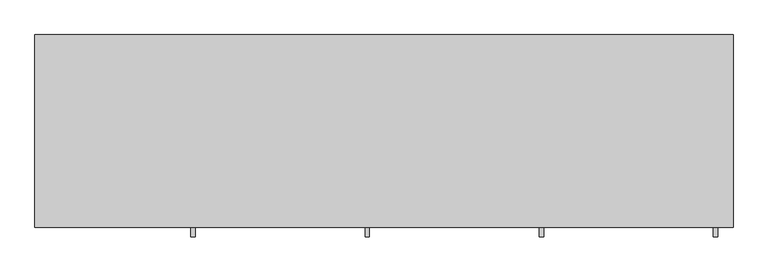
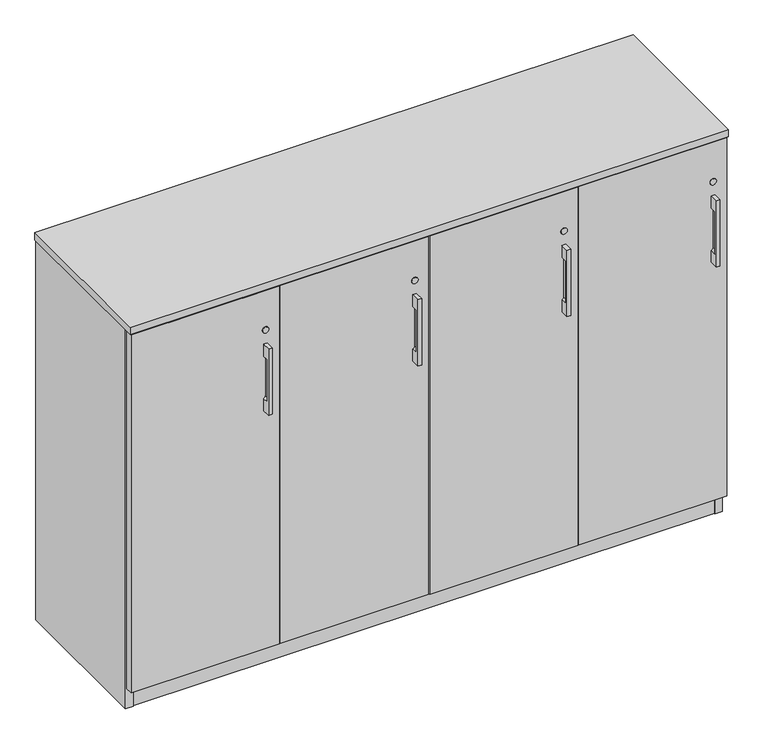
"""IFC4 building model written with IfcOpenShell, lengths in millimetres: furniture geometry."""

from ifc_helpers import new_model, si_unit, point, frame, frame_2d, origin, origin_with_axes, place, context, project, spatial, polyline, circle_curve, trimmed, segment, composite_curve, outline, extrude, source, transform, mapped, element, save
from ifc_brep_helpers import plane_surface, revolved_surface, advanced_brep


def furniture_423fbfd3(model_context):
    return source(origin(), model_context, "Body", "SolidModel", [
        advanced_brep(
        [(338.9312421, -447.8115021, 878.8908), (338.9312421, -447.8115021, 701.0908), (348.4562421, -447.8115021, 701.0908), (348.4562421, -447.8115021, 878.8908), (338.9312421, -425.5865021, 878.8908), (348.4562421, -425.5865021, 878.8908), (348.4562421, -425.5865021, 701.0908), (338.9312421, -425.5865021, 701.0908), (338.9312421, -425.5865021, 733.0424389), (343.6937421, -425.5865021, 739.1908), (343.6937421, -425.5865021, 840.7908), (338.9312421, -425.5865021, 846.9391611), (338.9312421, -441.523499, 846.9391611), (338.9312421, -441.523499, 733.0424389), (343.6937421, -441.523499, 840.7908), (343.6937421, -441.523499, 739.1908)],
        [
            (0, 1),
            (1, 2),
            (2, 3),
            (3, 0),
            (4, 5),
            (5, 6),
            (6, 7),
            (7, 8),
            (8, 9, circle_curve(frame((337.3437421, -425.5865021, 739.1908), z_axis=(0.0, -1.0, 0.0), x_axis=(1.0, 0.0, 0.0)), 6.35)),
            (9, 10),
            (10, 11, circle_curve(frame((337.3437421, -425.5865021, 840.7908), z_axis=(0.0, -1.0, 0.0), x_axis=(1.0, 0.0, 0.0)), 6.35)),
            (11, 4),
            (0, 4),
            (11, 12),
            (12, 13),
            (13, 8),
            (7, 1),
            (6, 2),
            (5, 3),
            (14, 15),
            (15, 13, circle_curve(frame((337.3437421, -441.523499, 739.1908), z_axis=(0.0, 1.0, 0.0), x_axis=(1.0, 0.0, 0.0)), 6.35)),
            (12, 14, circle_curve(frame((337.3437421, -441.523499, 840.7908), z_axis=(0.0, 1.0, 0.0), x_axis=(1.0, 0.0, 0.0)), 6.35)),
            (14, 10),
            (9, 15),
        ],
        [
            plane_surface(frame((338.9312421, -447.8115021, 701.0908), z_axis=(0.0, -1.0, 0.0), x_axis=(0.0, 0.0, -1.0))),
            plane_surface(frame((338.9312421, -425.5865021, 701.0908), z_axis=(0.0, 1.0, 0.0), x_axis=(0.0, 0.0, 1.0))),
            plane_surface(frame((338.9312421, -447.8115021, 878.8908), z_axis=(-1.0, 0.0, 0.0), x_axis=(0.0, 1.0, 0.0))),
            plane_surface(frame((338.9312421, -447.8115021, 701.0908), z_axis=(0.0, 0.0, -1.0), x_axis=(0.0, 1.0, 0.0))),
            plane_surface(frame((348.4562421, -447.8115021, 701.0908), z_axis=(1.0, 0.0, 0.0), x_axis=(0.0, 1.0, 0.0))),
            plane_surface(frame((348.4562421, -447.8115021, 878.8908), z_axis=(0.0, 0.0, 1.0), x_axis=(0.0, 1.0, 0.0))),
            plane_surface(frame((324.6437421, -441.523499, 847.1408), z_axis=(0.0, 1.0, 0.0), x_axis=(-1.0, 0.0, 0.0))),
            plane_surface(frame((343.6937421, -441.523499, 739.1908), z_axis=(-1.0, 0.0, 0.0), x_axis=(0.0, 1.0, 0.0))),
            revolved_surface(polyline([(343.6937421, -441.523499, 739.1908), (343.6937421, -425.5865021, 739.1908)]), (337.3437421, -425.5865021, 739.1908), (0.0, -1.0, 0.0)),
            revolved_surface(polyline([(343.6937421, -441.523499, 840.7908), (343.6937421, -425.5865021, 840.7908)]), (337.3437421, -425.5865021, 840.7908), (0.0, -1.0, 0.0)),
        ],
        [
            (0, [[1, 2, 3, 4]]),
            (1, [[5, 6, 7, 8, 9, 10, 11, 12]]),
            (2, [[-1, 13, -12, 14, 15, 16, -8, 17]]),
            (3, [[-2, -17, -7, 18]]),
            (4, [[-3, -18, -6, 19]]),
            (5, [[-4, -19, -5, -13]]),
            (6, [[20, 21, -15, 22]]),
            (7, [[-20, 23, -10, 24]]),
            (8, [[-24, -9, -16, -21]]),
            (9, [[-23, -22, -14, -11]]),
        ],
    ),
        advanced_brep(
        [(1474.7875158, -447.8115021, 878.8908), (1474.7875158, -447.8115021, 701.0908), (1484.3125158, -447.8115021, 701.0908), (1484.3125158, -447.8115021, 878.8908), (1474.7875158, -425.5865021, 878.8908), (1484.3125158, -425.5865021, 878.8908), (1484.3125158, -425.5865021, 701.0908), (1474.7875158, -425.5865021, 701.0908), (1474.7875158, -425.5865021, 733.0424389), (1479.5500158, -425.5865021, 739.1908), (1479.5500158, -425.5865021, 840.7908), (1474.7875158, -425.5865021, 846.9391611), (1474.7875158, -441.523499, 846.9391611), (1474.7875158, -441.523499, 733.0424389), (1479.5500158, -441.523499, 840.7908), (1479.5500158, -441.523499, 739.1908)],
        [
            (0, 1),
            (1, 2),
            (2, 3),
            (3, 0),
            (4, 5),
            (5, 6),
            (6, 7),
            (7, 8),
            (8, 9, circle_curve(frame((1473.2000158, -425.5865021, 739.1908), z_axis=(0.0, -1.0, 0.0), x_axis=(1.0, 0.0, 0.0)), 6.35)),
            (9, 10),
            (10, 11, circle_curve(frame((1473.2000158, -425.5865021, 840.7908), z_axis=(0.0, -1.0, 0.0), x_axis=(1.0, 0.0, 0.0)), 6.35)),
            (11, 4),
            (0, 4),
            (11, 12),
            (12, 13),
            (13, 8),
            (7, 1),
            (6, 2),
            (5, 3),
            (14, 15),
            (15, 13, circle_curve(frame((1473.2000158, -441.523499, 739.1908), z_axis=(0.0, 1.0, 0.0), x_axis=(1.0, 0.0, 0.0)), 6.35)),
            (12, 14, circle_curve(frame((1473.2000158, -441.523499, 840.7908), z_axis=(0.0, 1.0, 0.0), x_axis=(1.0, 0.0, 0.0)), 6.35)),
            (14, 10),
            (9, 15),
        ],
        [
            plane_surface(frame((1474.7875158, -447.8115021, 701.0908), z_axis=(0.0, -1.0, 0.0), x_axis=(0.0, 0.0, -1.0))),
            plane_surface(frame((1474.7875158, -425.5865021, 701.0908), z_axis=(0.0, 1.0, 0.0), x_axis=(0.0, 0.0, 1.0))),
            plane_surface(frame((1474.7875158, -447.8115021, 878.8908), z_axis=(-1.0, 0.0, 0.0), x_axis=(0.0, 1.0, 0.0))),
            plane_surface(frame((1474.7875158, -447.8115021, 701.0908), z_axis=(0.0, 0.0, -1.0), x_axis=(0.0, 1.0, 0.0))),
            plane_surface(frame((1484.3125158, -447.8115021, 701.0908), z_axis=(1.0, 0.0, 0.0), x_axis=(0.0, 1.0, 0.0))),
            plane_surface(frame((1484.3125158, -447.8115021, 878.8908), z_axis=(0.0, 0.0, 1.0), x_axis=(0.0, 1.0, 0.0))),
            plane_surface(frame((1460.5000158, -441.523499, 847.1408), z_axis=(0.0, 1.0, 0.0), x_axis=(-1.0, 0.0, 0.0))),
            plane_surface(frame((1479.5500158, -441.523499, 739.1908), z_axis=(-1.0, 0.0, 0.0), x_axis=(0.0, 1.0, 0.0))),
            revolved_surface(polyline([(1479.5500158, -441.523499, 739.1908), (1479.5500158, -425.5865021, 739.1908)]), (1473.2000158, -425.5865021, 739.1908), (0.0, -1.0, 0.0)),
            revolved_surface(polyline([(1479.5500158, -441.523499, 840.7908), (1479.5500158, -425.5865021, 840.7908)]), (1473.2000158, -425.5865021, 840.7908), (0.0, -1.0, 0.0)),
        ],
        [
            (0, [[1, 2, 3, 4]]),
            (1, [[5, 6, 7, 8, 9, 10, 11, 12]]),
            (2, [[-1, 13, -12, 14, 15, 16, -8, 17]]),
            (3, [[-2, -17, -7, 18]]),
            (4, [[-3, -18, -6, 19]]),
            (5, [[-4, -19, -5, -13]]),
            (6, [[20, 21, -15, 22]]),
            (7, [[-20, 23, -10, 24]]),
            (8, [[-24, -9, -16, -21]]),
            (9, [[-23, -22, -14, -11]]),
        ],
    ),
        advanced_brep(
        [(1096.1687579, -447.8115021, 878.8908), (1096.1687579, -447.8115021, 701.0908), (1105.6937579, -447.8115021, 701.0908), (1105.6937579, -447.8115021, 878.8908), (1096.1687579, -425.5865021, 878.8908), (1105.6937579, -425.5865021, 878.8908), (1105.6937579, -425.5865021, 701.0908), (1096.1687579, -425.5865021, 701.0908), (1096.1687579, -425.5865021, 733.0424389), (1100.9312579, -425.5865021, 739.1908), (1100.9312579, -425.5865021, 840.7908), (1096.1687579, -425.5865021, 846.9391611), (1096.1687579, -441.523499, 846.9391611), (1096.1687579, -441.523499, 733.0424389), (1100.9312579, -441.523499, 840.7908), (1100.9312579, -441.523499, 739.1908)],
        [
            (0, 1),
            (1, 2),
            (2, 3),
            (3, 0),
            (4, 5),
            (5, 6),
            (6, 7),
            (7, 8),
            (8, 9, circle_curve(frame((1094.5812579, -425.5865021, 739.1908), z_axis=(0.0, -1.0, 0.0), x_axis=(1.0, 0.0, 0.0)), 6.35)),
            (9, 10),
            (10, 11, circle_curve(frame((1094.5812579, -425.5865021, 840.7908), z_axis=(0.0, -1.0, 0.0), x_axis=(1.0, 0.0, 0.0)), 6.35)),
            (11, 4),
            (0, 4),
            (11, 12),
            (12, 13),
            (13, 8),
            (7, 1),
            (6, 2),
            (5, 3),
            (14, 15),
            (15, 13, circle_curve(frame((1094.5812579, -441.523499, 739.1908), z_axis=(0.0, 1.0, 0.0), x_axis=(1.0, 0.0, 0.0)), 6.35)),
            (12, 14, circle_curve(frame((1094.5812579, -441.523499, 840.7908), z_axis=(0.0, 1.0, 0.0), x_axis=(1.0, 0.0, 0.0)), 6.35)),
            (14, 10),
            (9, 15),
        ],
        [
            plane_surface(frame((1096.1687579, -447.8115021, 701.0908), z_axis=(0.0, -1.0, 0.0), x_axis=(0.0, 0.0, -1.0))),
            plane_surface(frame((1096.1687579, -425.5865021, 701.0908), z_axis=(0.0, 1.0, 0.0), x_axis=(0.0, 0.0, 1.0))),
            plane_surface(frame((1096.1687579, -447.8115021, 878.8908), z_axis=(-1.0, 0.0, 0.0), x_axis=(0.0, 1.0, 0.0))),
            plane_surface(frame((1096.1687579, -447.8115021, 701.0908), z_axis=(0.0, 0.0, -1.0), x_axis=(0.0, 1.0, 0.0))),
            plane_surface(frame((1105.6937579, -447.8115021, 701.0908), z_axis=(1.0, 0.0, 0.0), x_axis=(0.0, 1.0, 0.0))),
            plane_surface(frame((1105.6937579, -447.8115021, 878.8908), z_axis=(0.0, 0.0, 1.0), x_axis=(0.0, 1.0, 0.0))),
            plane_surface(frame((1081.8812579, -441.523499, 847.1408), z_axis=(0.0, 1.0, 0.0), x_axis=(-1.0, 0.0, 0.0))),
            plane_surface(frame((1100.9312579, -441.523499, 739.1908), z_axis=(-1.0, 0.0, 0.0), x_axis=(0.0, 1.0, 0.0))),
            revolved_surface(polyline([(1100.9312579, -441.523499, 739.1908), (1100.9312579, -425.5865021, 739.1908)]), (1094.5812579, -425.5865021, 739.1908), (0.0, -1.0, 0.0)),
            revolved_surface(polyline([(1100.9312579, -441.523499, 840.7908), (1100.9312579, -425.5865021, 840.7908)]), (1094.5812579, -425.5865021, 840.7908), (0.0, -1.0, 0.0)),
        ],
        [
            (0, [[1, 2, 3, 4]]),
            (1, [[5, 6, 7, 8, 9, 10, 11, 12]]),
            (2, [[-1, 13, -12, 14, 15, 16, -8, 17]]),
            (3, [[-2, -17, -7, 18]]),
            (4, [[-3, -18, -6, 19]]),
            (5, [[-4, -19, -5, -13]]),
            (6, [[20, 21, -15, 22]]),
            (7, [[-20, 23, -10, 24]]),
            (8, [[-24, -9, -16, -21]]),
            (9, [[-23, -22, -14, -11]]),
        ],
    ),
        advanced_brep(
        [(717.55, -447.8115021, 878.8908), (717.55, -447.8115021, 701.0908), (727.075, -447.8115021, 701.0908), (727.075, -447.8115021, 878.8908), (717.55, -425.5865021, 878.8908), (727.075, -425.5865021, 878.8908), (727.075, -425.5865021, 701.0908), (717.55, -425.5865021, 701.0908), (717.55, -425.5865021, 733.0424389), (722.3125, -425.5865021, 739.1908), (722.3125, -425.5865021, 840.7908), (717.55, -425.5865021, 846.9391611), (717.55, -441.523499, 846.9391611), (717.55, -441.523499, 733.0424389), (722.3125, -441.523499, 840.7908), (722.3125, -441.523499, 739.1908)],
        [
            (0, 1),
            (1, 2),
            (2, 3),
            (3, 0),
            (4, 5),
            (5, 6),
            (6, 7),
            (7, 8),
            (8, 9, circle_curve(frame((715.9625, -425.5865021, 739.1908), z_axis=(0.0, -1.0, 0.0), x_axis=(1.0, 0.0, 0.0)), 6.35)),
            (9, 10),
            (10, 11, circle_curve(frame((715.9625, -425.5865021, 840.7908), z_axis=(0.0, -1.0, 0.0), x_axis=(1.0, 0.0, 0.0)), 6.35)),
            (11, 4),
            (0, 4),
            (11, 12),
            (12, 13),
            (13, 8),
            (7, 1),
            (6, 2),
            (5, 3),
            (14, 15),
            (15, 13, circle_curve(frame((715.9625, -441.523499, 739.1908), z_axis=(0.0, 1.0, 0.0), x_axis=(1.0, 0.0, 0.0)), 6.35)),
            (12, 14, circle_curve(frame((715.9625, -441.523499, 840.7908), z_axis=(0.0, 1.0, 0.0), x_axis=(1.0, 0.0, 0.0)), 6.35)),
            (14, 10),
            (9, 15),
        ],
        [
            plane_surface(frame((717.55, -447.8115021, 701.0908), z_axis=(0.0, -1.0, 0.0), x_axis=(0.0, 0.0, -1.0))),
            plane_surface(frame((717.55, -425.5865021, 701.0908), z_axis=(0.0, 1.0, 0.0), x_axis=(0.0, 0.0, 1.0))),
            plane_surface(frame((717.55, -447.8115021, 878.8908), z_axis=(-1.0, 0.0, 0.0), x_axis=(0.0, 1.0, 0.0))),
            plane_surface(frame((717.55, -447.8115021, 701.0908), z_axis=(0.0, 0.0, -1.0), x_axis=(0.0, 1.0, 0.0))),
            plane_surface(frame((727.075, -447.8115021, 701.0908), z_axis=(1.0, 0.0, 0.0), x_axis=(0.0, 1.0, 0.0))),
            plane_surface(frame((727.075, -447.8115021, 878.8908), z_axis=(0.0, 0.0, 1.0), x_axis=(0.0, 1.0, 0.0))),
            plane_surface(frame((703.2625, -441.523499, 847.1408), z_axis=(0.0, 1.0, 0.0), x_axis=(-1.0, 0.0, 0.0))),
            plane_surface(frame((722.3125, -441.523499, 739.1908), z_axis=(-1.0, 0.0, 0.0), x_axis=(0.0, 1.0, 0.0))),
            revolved_surface(polyline([(722.3125, -441.523499, 739.1908), (722.3125, -425.5865021, 739.1908)]), (715.9625, -425.5865021, 739.1908), (0.0, -1.0, 0.0)),
            revolved_surface(polyline([(722.3125, -441.523499, 840.7908), (722.3125, -425.5865021, 840.7908)]), (715.9625, -425.5865021, 840.7908), (0.0, -1.0, 0.0)),
        ],
        [
            (0, [[1, 2, 3, 4]]),
            (1, [[5, 6, 7, 8, 9, 10, 11, 12]]),
            (2, [[-1, 13, -12, 14, 15, 16, -8, 17]]),
            (3, [[-2, -17, -7, 18]]),
            (4, [[-3, -18, -6, 19]]),
            (5, [[-4, -19, -5, -13]]),
            (6, [[20, 21, -15, 22]]),
            (7, [[-20, 23, -10, 24]]),
            (8, [[-24, -9, -16, -21]]),
            (9, [[-23, -22, -14, -11]]),
        ],
    ),
        extrude(outline(polyline([(1455.3192181, -345.6312472), (1471.2670759, -336.4237472), (1487.2149337, -345.6312472), (1487.2149337, -364.0462472), (1471.2670759, -373.2537472), (1455.3192181, -364.0462472), (1455.3192181, -345.6312472)])), origin_with_axes(), (0.0, 0.0, 1.0), 9.144),
        extrude(outline(polyline([(1455.3192181, -47.1181713), (1471.2670759, -37.9106713), (1487.2149337, -47.1181713), (1487.2149337, -65.5331713), (1471.2670759, -74.7406713), (1455.3192181, -65.5331713), (1455.3192181, -47.1181713)])), origin_with_axes(), (0.0, 0.0, 1.0), 9.144),
        extrude(outline(polyline([(30.4350663, -345.6312472), (46.3829241, -336.4237472), (62.3307819, -345.6312472), (62.3307819, -364.0462472), (46.3829241, -373.2537472), (30.4350663, -364.0462472), (30.4350663, -345.6312472)])), origin_with_axes(), (0.0, 0.0, 1.0), 9.144),
        extrude(outline(polyline([(30.4350663, -47.1181713), (46.3829241, -37.9106713), (62.3307819, -47.1181713), (62.3307819, -65.5331713), (46.3829241, -74.7406713), (30.4350663, -65.5331713), (30.4350663, -47.1181713)])), origin_with_axes(), (0.0, 0.0, 1.0), 9.144),
        extrude(outline(polyline([(739.5210079, -30.4938704), (758.8250079, -30.4938704), (758.8250079, -401.5835036), (739.5210079, -401.5835036), (739.5210079, -30.4938704)])), frame((0.0, 0.0, 79.57058), z_axis=(0.0, 0.0, 1.0), x_axis=(1.0, 0.0, 0.0)), (0.0, 0.0, 1.0), 944.60822),
        extrude(outline(polyline([(1118.1397579, -30.4938704), (1137.4437579, -30.4938704), (1137.4437579, -401.5835036), (1118.1397579, -401.5835036), (1118.1397579, -30.4938704)])), frame((0.0, 0.0, 79.57058), z_axis=(0.0, 0.0, 1.0), x_axis=(1.0, 0.0, 0.0)), (0.0, 0.0, 1.0), 944.60822),
        extrude(outline(polyline([(380.2062421, -30.4938704), (380.2062421, -401.5835036), (360.9022421, -401.5835036), (360.9022421, -30.4938704), (380.2062421, -30.4938704)])), frame((0.0, 0.0, 79.57058), z_axis=(0.0, 0.0, 1.0), x_axis=(1.0, 0.0, 0.0)), (0.0, 0.0, 1.0), 944.60822),
        extrude(outline(polyline([(1496.7585154, -11.1898712), (1496.7585154, -30.4938704), (20.8915005, -30.4938704), (20.8915005, -11.1898712), (1496.7585154, -11.1898712)])), frame((0.0, 0.0, 4.699), z_axis=(0.0, 0.0, 1.0), x_axis=(1.0, 0.0, 0.0)), (0.0, 0.0, 1.0), 1019.4798),
        extrude(outline(polyline([(20.8915005, -9.6658713), (20.8915005, -403.1075021), (1.5874842, -403.1075021), (1.5874842, -9.6658713), (20.8915005, -9.6658713)])), frame((0.0, 0.0, 4.699), z_axis=(0.0, 0.0, 1.0), x_axis=(1.0, 0.0, 0.0)), (0.0, 0.0, 1.0), 1019.4798),
        extrude(outline(polyline([(1496.7585154, -9.6658713), (1516.0625158, -9.6658713), (1516.0625158, -403.1075021), (1496.7585154, -403.1075021), (1496.7585154, -9.6658713)])), frame((0.0, 0.0, 4.699), z_axis=(0.0, 0.0, 1.0), x_axis=(1.0, 0.0, 0.0)), (0.0, 0.0, 1.0), 1019.4798),
        extrude(outline(polyline([(778.1290079, -30.4938704), (778.1290079, -401.5835036), (758.8250079, -401.5835036), (758.8250079, -30.4938704), (778.1290079, -30.4938704)])), frame((0.0, 0.0, 79.57058), z_axis=(0.0, 0.0, 1.0), x_axis=(1.0, 0.0, 0.0)), (0.0, 0.0, 1.0), 944.60822),
        extrude(outline(polyline([(380.2062421, -30.4938704), (399.5102421, -30.4938704), (399.5102421, -401.5835036), (380.2062421, -401.5835036), (380.2062421, -30.4938704)])), frame((0.0, 0.0, 79.57058), z_axis=(0.0, 0.0, 1.0), x_axis=(1.0, 0.0, 0.0)), (0.0, 0.0, 1.0), 944.60822),
        extrude(outline(polyline([(1156.7477579, -30.4938704), (1156.7477579, -401.5835036), (1137.4437579, -401.5835036), (1137.4437579, -30.4938704), (1156.7477579, -30.4938704)])), frame((0.0, 0.0, 79.57058), z_axis=(0.0, 0.0, 1.0), x_axis=(1.0, 0.0, 0.0)), (0.0, 0.0, 1.0), 944.60822),
        extrude(outline(polyline([(1496.7585154, -30.4938704), (1496.7585154, -402.7264934), (20.8915005, -402.7264934), (20.8915005, -30.4938704), (1496.7585154, -30.4938704)])), frame((0.0, 0.0, 1004.8748), z_axis=(0.0, 0.0, 1.0), x_axis=(1.0, 0.0, 0.0)), (0.0, 0.0, 1.0), 19.304),
        extrude(outline(polyline([(1517.65, -8.0783713), (1517.65, -427.1783713), (0.0, -427.1783713), (0.0, -8.0783713), (1517.65, -8.0783713)])), frame((0.0, 0.0, 1024.1788031), z_axis=(0.0, 0.0, 1.0), x_axis=(1.0, 0.0, 0.0)), (0.0, 0.0, 1.0), 19.0499969),
        extrude(outline(polyline([(1496.7585154, -30.4938704), (1496.7585154, -402.7264934), (20.8915005, -402.7264934), (20.8915005, -30.4938704), (1496.7585154, -30.4938704)])), frame((0.0, 0.0, 60.26658), z_axis=(0.0, 0.0, 1.0), x_axis=(1.0, 0.0, 0.0)), (0.0, 0.0, 1.0), 19.304),
        extrude(outline(polyline([(1496.7585154, -401.5835036), (20.8915005, -401.5835036), (20.8915005, -382.2795036), (1496.7585154, -382.2795036), (1496.7585154, -401.5835036)])), frame((0.0, 0.0, 4.699), z_axis=(0.0, 0.0, 1.0), x_axis=(1.0, 0.0, 0.0)), (0.0, 0.0, 1.0), 55.56758),
        extrude(outline(composite_curve([segment(trimmed(circle_curve(frame_2d((916.2288, 343.6937421)), 8.001), [point((916.2288, 335.6927421))], [point((916.2288, 351.6947421))], False, "CARTESIAN"), True, "CONTINUOUS"), segment(trimmed(circle_curve(frame_2d((916.2288, 343.6937421)), 8.001), [point((916.2288, 351.6947421))], [point((916.2288, 335.6927421))], False, "CARTESIAN"), True, "CONTINUOUS")], self_intersect=False)), frame((0.0, -427.1783713, 0.0), z_axis=(0.0, 1.0, 0.0), x_axis=(0.0, 0.0, 1.0)), (0.0, 0.0, 1.0), 1.5918692),
        extrude(outline(composite_curve([segment(trimmed(circle_curve(frame_2d((916.2288, 722.3125)), 8.001), [point((916.2288, 714.3115))], [point((916.2288, 730.3135))], False, "CARTESIAN"), True, "CONTINUOUS"), segment(trimmed(circle_curve(frame_2d((916.2288, 722.3125)), 8.001), [point((916.2288, 730.3135))], [point((916.2288, 714.3115))], False, "CARTESIAN"), True, "CONTINUOUS")], self_intersect=False)), frame((0.0, -427.1783713, 0.0), z_axis=(0.0, 1.0, 0.0), x_axis=(0.0, 0.0, 1.0)), (0.0, 0.0, 1.0), 1.5918692),
        extrude(outline(composite_curve([segment(trimmed(circle_curve(frame_2d((916.2288, 1100.9312579)), 8.001), [point((916.2288, 1092.9302579))], [point((916.2288, 1108.9322579))], False, "CARTESIAN"), True, "CONTINUOUS"), segment(trimmed(circle_curve(frame_2d((916.2288, 1100.9312579)), 8.001), [point((916.2288, 1108.9322579))], [point((916.2288, 1092.9302579))], False, "CARTESIAN"), True, "CONTINUOUS")], self_intersect=False)), frame((0.0, -427.1783713, 0.0), z_axis=(0.0, 1.0, 0.0), x_axis=(0.0, 0.0, 1.0)), (0.0, 0.0, 1.0), 1.5918692),
        extrude(outline(composite_curve([segment(trimmed(circle_curve(frame_2d((916.2288, 1479.5500158)), 8.001), [point((916.2288, 1471.5490158))], [point((916.2288, 1487.5510158))], False, "CARTESIAN"), True, "CONTINUOUS"), segment(trimmed(circle_curve(frame_2d((916.2288, 1479.5500158)), 8.001), [point((916.2288, 1487.5510158))], [point((916.2288, 1471.5490158))], False, "CARTESIAN"), True, "CONTINUOUS")], self_intersect=False)), frame((0.0, -427.1783713, 0.0), z_axis=(0.0, 1.0, 0.0), x_axis=(0.0, 0.0, 1.0)), (0.0, 0.0, 1.0), 1.5918692),
        extrude(outline(polyline([(378.6187421, -425.5865021), (3.175, -425.5865021), (3.175, -406.2825021), (378.6187421, -406.2825021), (378.6187421, -425.5865021)])), frame((0.0, 0.0, 60.26658), z_axis=(0.0, 0.0, 1.0), x_axis=(1.0, 0.0, 0.0)), (0.0, 0.0, 1.0), 960.7372352),
        extrude(outline(polyline([(757.2375, -425.5865021), (381.7937421, -425.5865021), (381.7937421, -406.2825021), (757.2375, -406.2825021), (757.2375, -425.5865021)])), frame((0.0, 0.0, 60.26658), z_axis=(0.0, 0.0, 1.0), x_axis=(1.0, 0.0, 0.0)), (0.0, 0.0, 1.0), 960.7372352),
        extrude(outline(polyline([(1135.8562579, -425.5865021), (760.4125, -425.5865021), (760.4125, -406.2825021), (1135.8562579, -406.2825021), (1135.8562579, -425.5865021)])), frame((0.0, 0.0, 60.26658), z_axis=(0.0, 0.0, 1.0), x_axis=(1.0, 0.0, 0.0)), (0.0, 0.0, 1.0), 960.7372352),
        extrude(outline(polyline([(1514.4750158, -425.5865021), (1139.0312579, -425.5865021), (1139.0312579, -406.2825021), (1514.4750158, -406.2825021), (1514.4750158, -425.5865021)])), frame((0.0, 0.0, 60.26658), z_axis=(0.0, 0.0, 1.0), x_axis=(1.0, 0.0, 0.0)), (0.0, 0.0, 1.0), 960.7372352),
    ])


if __name__ == "__main__":
    model = new_model("IFC4")
    model_context = context("Model", 3, world=origin())
    ifc_project = project(units=[si_unit("LENGTHUNIT", "METRE", prefix="MILLI")], contexts=[model_context])
    site = spatial("IfcSite", under=ifc_project)
    building = spatial("IfcBuilding", under=site)
    placement = place(None, origin())
    furniture_shape = furniture_423fbfd3(model_context)
    element("IfcFurniture", 1, at=placement, inside=building, context=model_context, shape_type="MappedRepresentation", body=[
        mapped(furniture_shape, transform((0.0, 0.0, 0.0), x_axis=(1.0, 0.0, 0.0), y_axis=(0.0, 1.0, 0.0), z_axis=(0.0, 0.0, 1.0))),
    ])
    save(model, "model.ifc")
